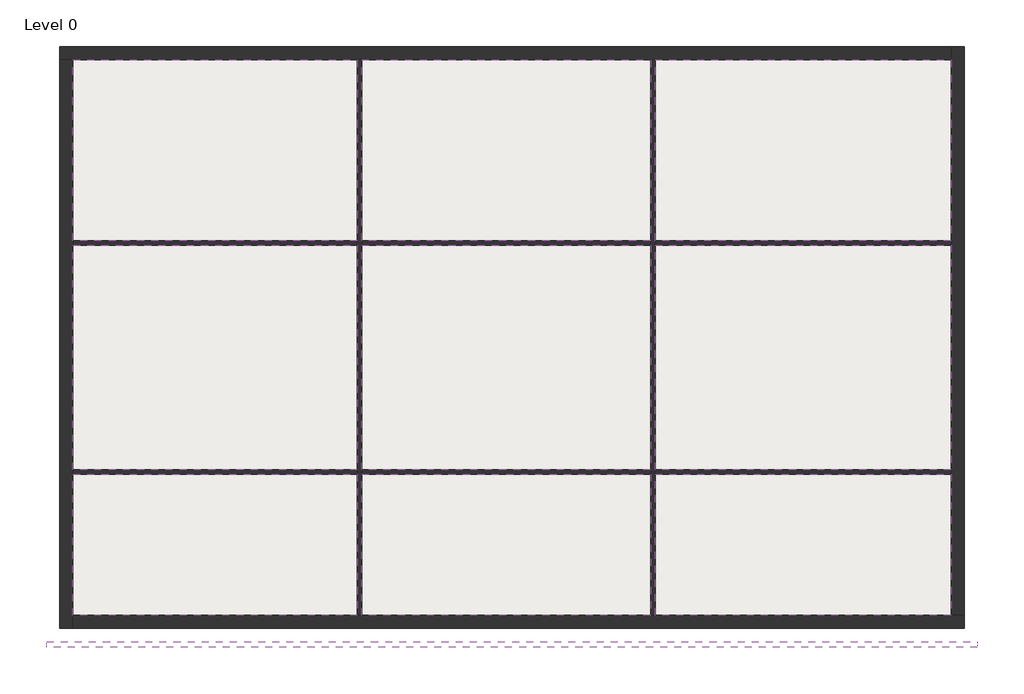
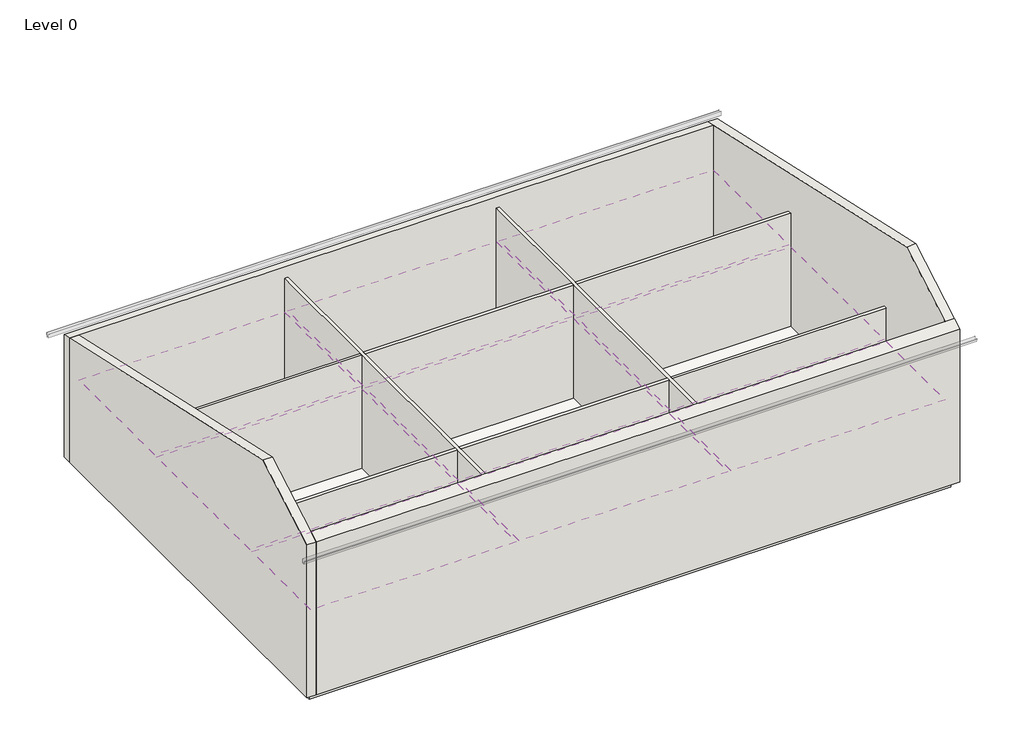
# One storey: 9 coverings, 8 walls, 1 pipe segment, 1 slab.
"""IFC4 building model written with IfcOpenShell, lengths in millimetres."""

import ifcopenshell
import ifcopenshell.guid

model = None  # the IFC model being written
_history = None  # IfcOwnerHistory: only IFC2X3 demands one
_inside = {}  # id of a spatial element -> (the spatial element, [elements in it])
_under = {}  # id of a project, library or spatial element -> (it, [spatial elements below it])
_declared = {}  # id of a project -> (the project, [libraries it declares])
_typed = {}  # id of a type object -> (the type object, [elements of that type])
_made_of = {}  # id of a material, layer set ... -> (it, [elements and type objects made of it])


def new_model(schema):
    """Start an empty IFC model of exactly this schema.

    Asked for "IFC4X3", IfcOpenShell would pick the latest addendum, in which some entities
    have other attributes; the version numbers below select the first issue.
    IFC2X3 requires an IfcOwnerHistory on every rooted entity: one is made here for all.
    """
    global model, _history
    if schema == "IFC4X3":
        model = ifcopenshell.file(schema_version=(4, 3, 0, 0))
    else:
        model = ifcopenshell.file(schema=schema)
    _inside.clear()
    _under.clear()
    _declared.clear()
    _typed.clear()
    _made_of.clear()
    _history = None
    if model.schema == "IFC2X3":
        org = make("IfcOrganization", Name="unknown")
        user = make(
            "IfcPersonAndOrganization",
            ThePerson=make("IfcPerson", FamilyName="unknown"),
            TheOrganization=org,
        )
        app = make(
            "IfcApplication",
            ApplicationDeveloper=org,
            Version="unknown",
            ApplicationFullName="unknown",
            ApplicationIdentifier="unknown",
        )
        _history = make(
            "IfcOwnerHistory",
            OwningUser=user,
            OwningApplication=app,
            ChangeAction="ADDED",
            CreationDate=0,
        )
    return model


def make(cls, **values):
    """One entity of the class cls with the attributes given. An attribute that is None is left unset."""
    return model.create_entity(
        cls, **{name: value for name, value in values.items() if value is not None}
    )


def rooted(cls, **values):
    """An entity with a GlobalId (a new one), such as an element, a storey or a relation."""
    return make(cls, GlobalId=ifcopenshell.guid.new(), OwnerHistory=_history, **values)


def si_unit(unit_type, name, prefix=None):
    """IfcSIUnit, for example si_unit("LENGTHUNIT", "METRE", prefix="MILLI")."""
    return make("IfcSIUnit", UnitType=unit_type, Prefix=prefix, Name=name)


def assignment(units):
    """IfcUnitAssignment: the units of a project."""
    return None if units is None else make("IfcUnitAssignment", Units=units)


def point(xyz):
    """IfcCartesianPoint."""
    return None if xyz is None else make("IfcCartesianPoint", Coordinates=xyz)


def direction(xyz):
    """IfcDirection."""
    return None if xyz is None else make("IfcDirection", DirectionRatios=xyz)


def frame(location, z_axis=None, x_axis=None):
    """IfcAxis2Placement3D, a coordinate frame: its origin and axes. An axis left out is left unset."""
    return make(
        "IfcAxis2Placement3D",
        Location=point(location),
        Axis=direction(z_axis),
        RefDirection=direction(x_axis),
    )


def origin():
    """The frame at (0, 0, 0) with its axes left unset."""
    return frame((0.0, 0.0, 0.0))


def origin_with_axes():
    """The frame at (0, 0, 0) with the z axis (0, 0, 1) and the x axis (1, 0, 0) written out."""
    return frame((0.0, 0.0, 0.0), z_axis=(0.0, 0.0, 1.0), x_axis=(1.0, 0.0, 0.0))


def place(relative_to, where):
    """IfcLocalPlacement: puts the frame where relative to a parent placement (None: the world)."""
    return make(
        "IfcLocalPlacement", PlacementRelTo=relative_to, RelativePlacement=where
    )


def context(
    kind, dimensions, precision=None, world=None, true_north=None, identifier=None
):
    """IfcGeometricRepresentationContext, for example the 3D "Model" context."""
    return make(
        "IfcGeometricRepresentationContext",
        ContextIdentifier=identifier,
        ContextType=kind,
        CoordinateSpaceDimension=dimensions,
        Precision=precision,
        WorldCoordinateSystem=world,
        TrueNorth=true_north,
    )


def project(units=None, contexts=None):
    """IfcProject with its units and contexts."""
    return rooted(
        "IfcProject",
        Name="project",
        RepresentationContexts=contexts,
        UnitsInContext=assignment(units),
    )


def spatial(cls, under=None, at=None, **own):
    """A site, building, storey or space (cls), placed at a placement, below another one or the project."""
    s = rooted(cls, ObjectPlacement=at, **own)
    if under is not None:
        _under.setdefault(under.id(), (under, []))[1].append(s)
    return s


def polyline(points):
    """IfcPolyline through the points."""
    return make("IfcPolyline", Points=[point(p) for p in points])


def outline(outer, holes=None, kind="AREA"):
    """IfcArbitraryClosedProfileDef: a profile drawn as a closed curve; with holes, ...WithVoids."""
    if holes is None:
        return make("IfcArbitraryClosedProfileDef", ProfileType=kind, OuterCurve=outer)
    return make(
        "IfcArbitraryProfileDefWithVoids",
        ProfileType=kind,
        OuterCurve=outer,
        InnerCurves=holes,
    )


def extrude(swept, where, along, depth):
    """IfcExtrudedAreaSolid: the profile swept, set in the frame where, extruded along a direction by depth."""
    return make(
        "IfcExtrudedAreaSolid",
        SweptArea=swept,
        Position=where,
        ExtrudedDirection=direction(along),
        Depth=depth,
    )


def faces_of(points, faces, orient=None, outer=None):
    """IfcFace entities. A face is a list of loops; a loop is a list of indices into points, from 0.

    orient and outer hold one flag for each loop. By default every Orientation is true, the
    first loop of a face is its IfcFaceOuterBound and the others are IfcFaceBound.
    """
    made = []
    for i, loops in enumerate(faces):
        bounds = []
        for j, loop in enumerate(loops):
            is_outer = j == 0 if outer is None else outer[i][j]
            bounds.append(
                make(
                    "IfcFaceOuterBound" if is_outer else "IfcFaceBound",
                    Bound=make("IfcPolyLoop", Polygon=[points[k] for k in loop]),
                    Orientation=True if orient is None else orient[i][j],
                )
            )
        made.append(make("IfcFace", Bounds=bounds))
    return made


def faceted_brep(points, faces, orient=None, outer=None, voids=None):
    """IfcFacetedBrep: a solid bounded by flat faces; with voids (closed shells), ...WithVoids."""
    shared = [point(p) for p in points]
    hull = make("IfcClosedShell", CfsFaces=faces_of(shared, faces, orient, outer))
    if voids is None:
        return make("IfcFacetedBrep", Outer=hull)
    return make(
        "IfcFacetedBrepWithVoids",
        Outer=hull,
        Voids=[
            make(cls, CfsFaces=faces_of(shared, fs, o, b)) for cls, fs, o, b in voids
        ],
    )


def shape(context_of_items, identifier, shape_type, items):
    """IfcShapeRepresentation: the items that make up one representation, for example the "Body"."""
    return make(
        "IfcShapeRepresentation",
        ContextOfItems=context_of_items,
        RepresentationIdentifier=identifier,
        RepresentationType=shape_type,
        Items=items,
    )


def made_of(thing, what):
    """Note that an element or type object is made of a material, layer set ...; save() writes the relation."""
    if what is not None:
        _made_of.setdefault(what.id(), (what, []))[1].append(thing)
    return thing


def element(
    cls,
    number,
    at=None,
    inside=None,
    cuts=None,
    type_object=None,
    material=None,
    context=None,
    identifier="Body",
    shape_type=None,
    held_by="IfcProductDefinitionShape",
    body=None,
    shapes=None,
    **own,
):
    """One element of the class cls, such as IfcWall. Its Tag is "e" and its number.

    at: its placement. inside: the storey or other place that contains it. cuts: it is an
    opening in that element (IfcRelVoidsElement). A single representation is given by context,
    identifier, shape_type and body (its items); several are given by shapes. held_by: the class
    of the entity that holds the representations. save() writes the other relations.
    """
    e = rooted(cls, Tag="e%d" % number, ObjectPlacement=at, **own)
    if body is not None:
        shapes = [shape(context, identifier, shape_type, body)]
    if shapes is not None:
        e.Representation = make(held_by, Representations=shapes)
    if inside is not None:
        _inside.setdefault(inside.id(), (inside, []))[1].append(e)
    if cuts is not None:
        rooted(
            "IfcRelVoidsElement", RelatingBuildingElement=cuts, RelatedOpeningElement=e
        )
    if type_object is not None:
        _typed.setdefault(type_object.id(), (type_object, []))[1].append(e)
    return made_of(e, material)


def aggregate(whole, parts):
    """IfcRelAggregates: a whole, such as a stair, and the parts it consists of."""
    return rooted("IfcRelAggregates", RelatingObject=whole, RelatedObjects=parts)


def save(model, path):
    """Write the relations noted so far, then the file.

    IfcRelAggregates (storeys below a building ...), IfcRelContainedInSpatialStructure (elements
    in a storey), IfcRelDefinesByType, IfcRelAssociatesMaterial and IfcRelDeclares: one each for
    every whole, place, type object, material and project.
    """
    for whole, parts in _under.values():
        aggregate(whole, parts)
    for where, things in _inside.values():
        rooted(
            "IfcRelContainedInSpatialStructure",
            RelatedElements=things,
            RelatingStructure=where,
        )
    for kind, things in _typed.values():
        rooted("IfcRelDefinesByType", RelatedObjects=things, RelatingType=kind)
    for what, things in _made_of.values():
        rooted("IfcRelAssociatesMaterial", RelatedObjects=things, RelatingMaterial=what)
    for by, libraries in _declared.values():
        rooted("IfcRelDeclares", RelatingContext=by, RelatedDefinitions=libraries)
    model.write(path)


model = new_model("IFC4")

# Units and contexts
model_context = context("Model", 3, world=origin())
ifc_project = project(units=[si_unit("LENGTHUNIT", "METRE", prefix="MILLI")], contexts=[model_context])

# Site, building, storey
site = spatial("IfcSite", under=ifc_project)
building = spatial("IfcBuilding", under=site)
storey = spatial("IfcBuildingStorey", under=building, Name="Level 0", Elevation=0.0)

# Coverings
placement = place(None, origin())
element("IfcCovering", 1, ObjectType="600x1200mm_Grid", at=placement, inside=storey, context=model_context, shape_type="SweptSolid", body=[
    extrude(outline(polyline([(-9703.2692897, 6528.7907944), (-3353.2692897, 6528.7907944), (-3353.2692897, 2478.7907944), (-9703.2692897, 2478.7907944), (-9703.2692897, 6528.7907944)])), frame((0.0, 0.0, 2600.0), z_axis=(0.0, 0.0, 1.0), x_axis=(1.0, 0.0, 0.0)), (0.0, 0.0, 1.0), 52.0),
])
element("IfcCovering", 2, ObjectType="600x1200mm_Grid", at=placement, inside=storey, context=model_context, shape_type="SweptSolid", body=[
    extrude(outline(polyline([(-9703.2692897, -5881.2092056), (-9703.2692897, -2731.2092056), (-3353.2692897, -2731.2092056), (-3353.2692897, -5881.2092056), (-9703.2692897, -5881.2092056)])), frame((0.0, 0.0, 2600.0), z_axis=(0.0, 0.0, 1.0), x_axis=(1.0, 0.0, 0.0)), (0.0, 0.0, 1.0), 52.0),
])
element("IfcCovering", 3, ObjectType="600x1200mm_Grid", at=placement, inside=storey, context=model_context, shape_type="SweptSolid", body=[
    extrude(outline(polyline([(3196.7307103, -2631.2092056), (-3253.2692897, -2631.2092056), (-3253.2692897, 2378.7907944), (3196.7307103, 2378.7907944), (3196.7307103, -2631.2092056)])), frame((0.0, 0.0, 2600.0), z_axis=(0.0, 0.0, 1.0), x_axis=(1.0, 0.0, 0.0)), (0.0, 0.0, 1.0), 52.0),
])
element("IfcCovering", 4, ObjectType="600x1200mm_Grid", at=placement, inside=storey, context=model_context, shape_type="SweptSolid", body=[
    extrude(outline(polyline([(9906.7307103, -5881.2092056), (3296.7307103, -5881.2092056), (3296.7307103, -2731.2092056), (9906.7307103, -2731.2092056), (9906.7307103, -5881.2092056)])), frame((0.0, 0.0, 2600.0), z_axis=(0.0, 0.0, 1.0), x_axis=(1.0, 0.0, 0.0)), (0.0, 0.0, 1.0), 52.0),
])
element("IfcCovering", 5, ObjectType="600x600mm_Grid", at=placement, inside=storey, context=model_context, shape_type="SweptSolid", body=[
    extrude(outline(polyline([(-3253.2692897, 2478.7907944), (-3253.2692897, 6528.7907944), (3196.7307103, 6528.7907944), (3196.7307103, 2478.7907944), (-3253.2692897, 2478.7907944)])), frame((0.0, 0.0, 2600.0), z_axis=(0.0, 0.0, 1.0), x_axis=(1.0, 0.0, 0.0)), (0.0, 0.0, 1.0), 52.0),
])
element("IfcCovering", 6, ObjectType="600x600mm_Grid", at=placement, inside=storey, context=model_context, shape_type="SweptSolid", body=[
    extrude(outline(polyline([(3296.7307103, 2478.7907944), (3296.7307103, 6528.7907944), (9906.7307103, 6528.7907944), (9906.7307103, 2478.7907944), (3296.7307103, 2478.7907944)])), frame((0.0, 0.0, 2600.0), z_axis=(0.0, 0.0, 1.0), x_axis=(1.0, 0.0, 0.0)), (0.0, 0.0, 1.0), 52.0),
])
element("IfcCovering", 7, ObjectType="600x600mm_Grid", at=placement, inside=storey, context=model_context, shape_type="SweptSolid", body=[
    extrude(outline(polyline([(9906.7307103, 2378.7907944), (9906.7307103, -2631.2092056), (3296.7307103, -2631.2092056), (3296.7307103, 2378.7907944), (9906.7307103, 2378.7907944)])), frame((0.0, 0.0, 2600.0), z_axis=(0.0, 0.0, 1.0), x_axis=(1.0, 0.0, 0.0)), (0.0, 0.0, 1.0), 52.0),
])
element("IfcCovering", 8, ObjectType="Plain", at=placement, inside=storey, context=model_context, shape_type="SweptSolid", body=[
    extrude(outline(polyline([(-3353.2692897, -2631.2092056), (-9703.2692897, -2631.2092056), (-9703.2692897, 2378.7907944), (-3353.2692897, 2378.7907944), (-3353.2692897, -2631.2092056)])), frame((0.0, 0.0, 2600.0), z_axis=(0.0, 0.0, 1.0), x_axis=(1.0, 0.0, 0.0)), (0.0, 0.0, 1.0), 57.0),
])
element("IfcCovering", 9, ObjectType="Plain", at=placement, inside=storey, context=model_context, shape_type="SweptSolid", body=[
    extrude(outline(polyline([(3196.7307103, -5881.2092056), (-3253.2692897, -5881.2092056), (-3253.2692897, -2731.2092056), (3196.7307103, -2731.2092056), (3196.7307103, -5881.2092056)])), frame((0.0, 0.0, 2600.0), z_axis=(0.0, 0.0, 1.0), x_axis=(1.0, 0.0, 0.0)), (0.0, 0.0, 1.0), 57.0),
])

# Pipe segment
element("IfcPipeSegment", 10, ObjectType="Standard", at=placement, inside=storey, context=model_context, shape_type="SweptSolid", body=[
    extrude(outline(polyline([(7118.7907944, 3808.5793687), (7118.7907944, 3933.4916012), (7121.9657944, 3933.4916012), (7121.9657944, 3811.7543687), (7190.6284971, 3811.7543687), (7228.7284971, 3911.2666012), (7240.6157944, 3911.2666012), (7240.6157944, 3917.6166012), (7231.0907944, 3917.6166012), (7231.0907944, 3920.7916012), (7243.7907944, 3920.7916012), (7243.7907944, 3908.0916012), (7231.0907944, 3908.0916012), (7192.9907944, 3808.5793687), (7118.7907944, 3808.5793687)])), frame((-10293.2692897, 0.0, 0.0), z_axis=(1.0, 0.0, 0.0), x_axis=(0.0, 1.0, 0.0)), (0.0, 0.0, 1.0), 20790.0),
    extrude(outline(polyline([(-6471.2092056, 4701.8826867), (-6545.4092056, 4701.8826867), (-6583.5092056, 4801.3949192), (-6596.2092056, 4801.3949192), (-6596.2092056, 4814.0949192), (-6583.5092056, 4814.0949192), (-6583.5092056, 4810.9199192), (-6593.0342056, 4810.9199192), (-6593.0342056, 4804.5699192), (-6581.1469082, 4804.5699192), (-6543.0469082, 4705.0576867), (-6474.3842056, 4705.0576867), (-6474.3842056, 4826.7949192), (-6471.2092056, 4826.7949192), (-6471.2092056, 4701.8826867)])), frame((-10293.2692897, 0.0, 0.0), z_axis=(1.0, 0.0, 0.0), x_axis=(0.0, 1.0, 0.0)), (0.0, 0.0, 1.0), 20790.0),
])

# Slab
element("IfcSlab", 11, at=placement, inside=storey, context=model_context, shape_type="SweptSolid", body=[
    extrude(outline(polyline([(10019.2307103, 6641.2907944), (10019.2307103, -5993.7092056), (-9815.7692897, -5993.7092056), (-9815.7692897, 6641.2907944), (10019.2307103, 6641.2907944)])), frame((0.0, 0.0, -211.0), z_axis=(0.0, 0.0, 1.0), x_axis=(1.0, 0.0, 0.0)), (0.0, 0.0, 1.0), 211.0),
])

# Walls
element("IfcWall", 12, at=placement, inside=storey, context=model_context, shape_type="Brep", body=[
    faceted_brep([(-9993.2692897, 6528.7907944, 0.0), (-9703.2692897, 6528.7907944, 0.0), (-3353.2692897, 6528.7907944, 0.0), (-3253.2692897, 6528.7907944, 0.0), (3196.7307103, 6528.7907944, 0.0), (3296.7307103, 6528.7907944, 0.0), (9906.7307103, 6528.7907944, 0.0), (9906.7307103, 6528.7907944, 4064.2914522), (-9703.2692897, 6528.7907944, 4064.2914522), (-9993.2692897, 6528.7907944, 4064.2914522), (-9993.2692897, 6818.7907944, 0.0), (-9993.2692897, 6818.7907944, 4000.0), (9906.7307103, 6818.7907944, 4000.0), (9906.7307103, 6818.7907944, 0.0)], [[[0, 1, 2, 3, 4, 5, 6, 7, 8, 9]], [[10, 11, 12, 13]], [[6, 5, 4, 3, 2, 1, 0, 10, 13]], [[0, 9, 11, 10]], [[7, 6, 13, 12]], [[9, 8, 7, 12, 11]]]),
])
element("IfcWall", 13, at=placement, inside=storey, context=model_context, shape_type="Brep", body=[
    faceted_brep([(-9703.2692897, -6171.2092056, 0.0), (-9703.2692897, -5881.2092056, 0.0), (-9703.2692897, -2731.2092056, 0.0), (-9703.2692897, -2631.2092056, 0.0), (-9703.2692897, 2378.7907944, 0.0), (-9703.2692897, 2478.7907944, 0.0), (-9703.2692897, 6528.7907944, 0.0), (-9703.2692897, 6528.7907944, 4064.2914522), (-9703.2692897, -3818.6335332, 6358.2601977), (-9703.2692897, -5881.2092056, 5167.4315781), (-9703.2692897, -6171.2092056, 5000.0), (-9993.2692897, -6171.2092056, 0.0), (-9993.2692897, -6171.2092056, 5000.0), (-9993.2692897, -3818.6335332, 6358.2601977), (-9993.2692897, 6528.7907944, 4064.2914522), (-9993.2692897, 6528.7907944, 0.0)], [[[0, 1, 2, 3, 4, 5, 6, 7, 8, 9, 10]], [[11, 12, 13, 14, 15]], [[6, 5, 4, 3, 2, 1, 0, 11, 15]], [[0, 10, 12, 11]], [[7, 6, 15, 14]], [[10, 9, 8, 13, 12]], [[8, 7, 14, 13]]]),
])
element("IfcWall", 14, at=placement, inside=storey, context=model_context, shape_type="Brep", body=[
    faceted_brep([(10196.7307103, -5881.2092056, 0.0), (9906.7307103, -5881.2092056, 0.0), (3296.7307103, -5881.2092056, 0.0), (3196.7307103, -5881.2092056, 0.0), (-3253.2692897, -5881.2092056, 0.0), (-3353.2692897, -5881.2092056, 0.0), (-9703.2692897, -5881.2092056, 0.0), (-9703.2692897, -5881.2092056, 5167.4315781), (9906.7307103, -5881.2092056, 5167.4315781), (10196.7307103, -5881.2092056, 5167.4315781), (10196.7307103, -6171.2092056, 0.0), (10196.7307103, -6171.2092056, 5000.0), (-9703.2692897, -6171.2092056, 5000.0), (-9703.2692897, -6171.2092056, 0.0)], [[[0, 1, 2, 3, 4, 5, 6, 7, 8, 9]], [[10, 11, 12, 13]], [[6, 5, 4, 3, 2, 1, 0, 10, 13]], [[0, 9, 11, 10]], [[7, 6, 13, 12]], [[9, 8, 7, 12, 11]]]),
])
element("IfcWall", 15, at=placement, inside=storey, context=model_context, shape_type="Brep", body=[
    faceted_brep([(9906.7307103, 6818.7907944, 0.0), (9906.7307103, 6528.7907944, 0.0), (9906.7307103, 2478.7907944, 0.0), (9906.7307103, 2378.7907944, 0.0), (9906.7307103, -2631.2092056, 0.0), (9906.7307103, -2731.2092056, 0.0), (9906.7307103, -5881.2092056, 0.0), (9906.7307103, -5881.2092056, 5167.4315781), (9906.7307103, -3818.6335332, 6358.2601977), (9906.7307103, 6528.7907944, 4064.2914522), (9906.7307103, 6818.7907944, 4000.0), (10196.7307103, 6818.7907944, 0.0), (10196.7307103, 6818.7907944, 4000.0), (10196.7307103, -3818.6335332, 6358.2601977), (10196.7307103, -5881.2092056, 5167.4315781), (10196.7307103, -5881.2092056, 0.0)], [[[0, 1, 2, 3, 4, 5, 6, 7, 8, 9, 10]], [[11, 12, 13, 14, 15]], [[6, 5, 4, 3, 2, 1, 0, 11, 15]], [[0, 10, 12, 11]], [[7, 6, 15, 14]], [[10, 9, 8, 13, 12]], [[8, 7, 14, 13]]]),
])
element("IfcWall", 16, ObjectType="Wall-Partn_12P-75Std-12P", at=placement, inside=storey, context=model_context, shape_type="Brep", body=[
    faceted_brep([(-3353.2692897, 6528.7907944, 0.0), (-3353.2692897, 2478.7907944, 0.0), (-3353.2692897, 2378.7907944, 0.0), (-3353.2692897, -2631.2092056, 0.0), (-3353.2692897, -2731.2092056, 0.0), (-3353.2692897, -5881.2092056, 0.0), (-3353.2692897, -5881.2092056, 3700.0), (-3353.2692897, -2731.2092056, 3700.0), (-3353.2692897, -2631.2092056, 3700.0), (-3353.2692897, 2378.7907944, 3700.0), (-3353.2692897, 2478.7907944, 3700.0), (-3353.2692897, 6528.7907944, 3700.0), (-3253.2692897, 6528.7907944, 0.0), (-3253.2692897, 6528.7907944, 3700.0), (-3253.2692897, 2478.7907944, 3700.0), (-3253.2692897, 2378.7907944, 3700.0), (-3253.2692897, -2631.2092056, 3700.0), (-3253.2692897, -2731.2092056, 3700.0), (-3253.2692897, -5881.2092056, 3700.0), (-3253.2692897, -5881.2092056, 0.0), (-3253.2692897, -2731.2092056, 0.0), (-3253.2692897, -2631.2092056, 0.0), (-3253.2692897, 2378.7907944, 0.0), (-3253.2692897, 2478.7907944, 0.0)], [[[0, 1, 2, 3, 4, 5, 6, 7, 8, 9, 10, 11]], [[12, 13, 14, 15, 16, 17, 18, 19, 20, 21, 22, 23]], [[5, 4, 3, 2, 1, 0, 12, 23, 22, 21, 20, 19]], [[11, 10, 9, 8, 7, 6, 18, 17, 16, 15, 14, 13]], [[6, 5, 19, 18]], [[0, 11, 13, 12]]]),
])
element("IfcWall", 17, ObjectType="Wall-Partn_12P-75Std-12P", at=placement, inside=storey, context=model_context, shape_type="Brep", body=[
    faceted_brep([(3196.7307103, 6528.7907944, 0.0), (3196.7307103, 2478.7907944, 0.0), (3196.7307103, 2378.7907944, 0.0), (3196.7307103, -2631.2092056, 0.0), (3196.7307103, -2731.2092056, 0.0), (3196.7307103, -5881.2092056, 0.0), (3196.7307103, -5881.2092056, 3700.0), (3196.7307103, -2731.2092056, 3700.0), (3196.7307103, -2631.2092056, 3700.0), (3196.7307103, 2378.7907944, 3700.0), (3196.7307103, 2478.7907944, 3700.0), (3196.7307103, 6528.7907944, 3700.0), (3296.7307103, 6528.7907944, 0.0), (3296.7307103, 6528.7907944, 3700.0), (3296.7307103, 2478.7907944, 3700.0), (3296.7307103, 2378.7907944, 3700.0), (3296.7307103, -2631.2092056, 3700.0), (3296.7307103, -2731.2092056, 3700.0), (3296.7307103, -5881.2092056, 3700.0), (3296.7307103, -5881.2092056, 0.0), (3296.7307103, -2731.2092056, 0.0), (3296.7307103, -2631.2092056, 0.0), (3296.7307103, 2378.7907944, 0.0), (3296.7307103, 2478.7907944, 0.0)], [[[0, 1, 2, 3, 4, 5, 6, 7, 8, 9, 10, 11]], [[12, 13, 14, 15, 16, 17, 18, 19, 20, 21, 22, 23]], [[5, 4, 3, 2, 1, 0, 12, 23, 22, 21, 20, 19]], [[11, 10, 9, 8, 7, 6, 18, 17, 16, 15, 14, 13]], [[6, 5, 19, 18]], [[0, 11, 13, 12]]]),
])
element("IfcWall", 18, ObjectType="Wall-Partn_12P-75Std-12P", at=placement, inside=storey, context=model_context, shape_type="SweptSolid", body=[
    extrude(outline(polyline([(-9703.2692897, 2378.7907944), (-9703.2692897, 2478.7907944), (-3353.2692897, 2478.7907944), (-3353.2692897, 2378.7907944), (-9703.2692897, 2378.7907944)])), origin_with_axes(), (0.0, 0.0, 1.0), 3700.0),
    extrude(outline(polyline([(9906.7307103, 2478.7907944), (9906.7307103, 2378.7907944), (3296.7307103, 2378.7907944), (3296.7307103, 2478.7907944), (9906.7307103, 2478.7907944)])), origin_with_axes(), (0.0, 0.0, 1.0), 3700.0),
    extrude(outline(polyline([(-3253.2692897, 2378.7907944), (-3253.2692897, 2478.7907944), (3196.7307103, 2478.7907944), (3196.7307103, 2378.7907944), (-3253.2692897, 2378.7907944)])), origin_with_axes(), (0.0, 0.0, 1.0), 3700.0),
])
element("IfcWall", 19, ObjectType="Wall-Partn_12P-75Std-12P", at=placement, inside=storey, context=model_context, shape_type="SweptSolid", body=[
    extrude(outline(polyline([(-9703.2692897, -2731.2092056), (-9703.2692897, -2631.2092056), (-3353.2692897, -2631.2092056), (-3353.2692897, -2731.2092056), (-9703.2692897, -2731.2092056)])), origin_with_axes(), (0.0, 0.0, 1.0), 3700.0),
    extrude(outline(polyline([(9906.7307103, -2631.2092056), (9906.7307103, -2731.2092056), (3296.7307103, -2731.2092056), (3296.7307103, -2631.2092056), (9906.7307103, -2631.2092056)])), origin_with_axes(), (0.0, 0.0, 1.0), 3700.0),
    extrude(outline(polyline([(-3253.2692897, -2731.2092056), (-3253.2692897, -2631.2092056), (3196.7307103, -2631.2092056), (3196.7307103, -2731.2092056), (-3253.2692897, -2731.2092056)])), origin_with_axes(), (0.0, 0.0, 1.0), 3700.0),
])

save(model, "model.ifc")
